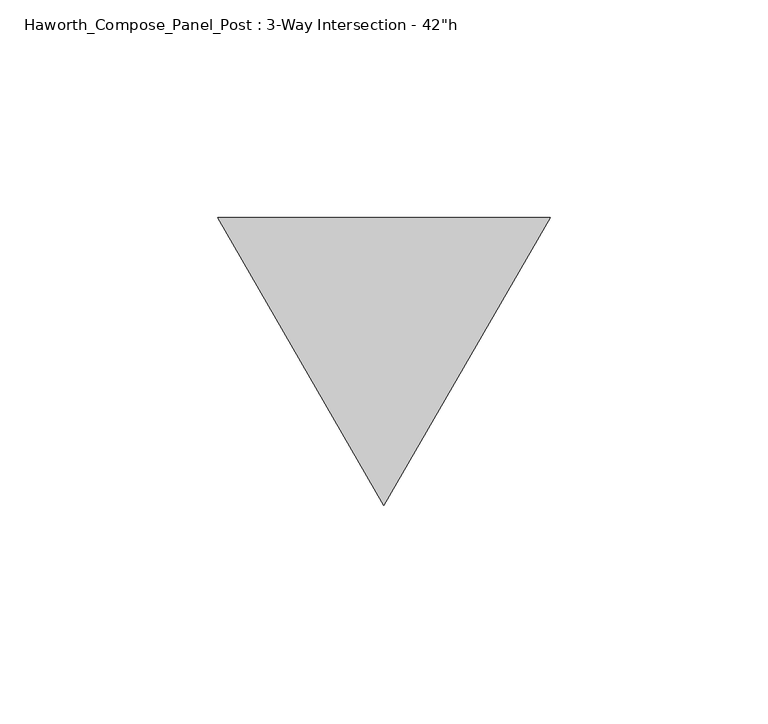
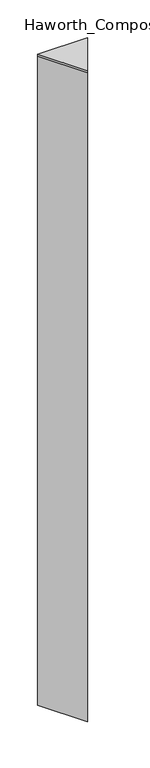
"""IFC4 building model written with IfcOpenShell, lengths in millimetres: furniture geometry."""

from ifc_helpers import new_model, si_unit, frame, origin, place, context, project, spatial, polyline, outline, extrude, source, transform, mapped, element, save


def furniture_5026ec60(model_context):
    return source(origin(), model_context, "Body", "SweptSolid", [
        extrude(outline(polyline([(76.2, 32.9955679), (38.1, -32.9955679), (0.0, 32.9955679), (76.2, 32.9955679)])), frame((0.0, 0.0, 1060.45), z_axis=(0.0, 0.0, 1.0), x_axis=(1.0, 0.0, 0.0)), (0.0, 0.0, 1.0), 3.175),
        extrude(outline(polyline([(76.2, 32.9955679), (38.1, -32.9955679), (0.0, 32.9955679), (76.2, 32.9955679)])), frame((0.0, 0.0, 12.7), z_axis=(0.0, 0.0, 1.0), x_axis=(1.0, 0.0, 0.0)), (0.0, 0.0, 1.0), 1047.75),
    ])


if __name__ == "__main__":
    model = new_model("IFC4")
    model_context = context("Model", 3, world=origin())
    ifc_project = project(units=[si_unit("LENGTHUNIT", "METRE", prefix="MILLI")], contexts=[model_context])
    site = spatial("IfcSite", under=ifc_project)
    building = spatial("IfcBuilding", under=site)
    placement = place(None, origin())
    furniture_shape = furniture_5026ec60(model_context)
    element("IfcFurniture", 1, ObjectType="Haworth_Compose_Panel_Post : 3-Way Intersection - 42\"h", at=placement, inside=building, context=model_context, shape_type="MappedRepresentation", body=[
        mapped(furniture_shape, transform((0.0, 0.0, 0.0), x_axis=(1.0, 0.0, 0.0), y_axis=(0.0, 1.0, 0.0), z_axis=(0.0, 0.0, 1.0))),
    ])
    save(model, "model.ifc")
